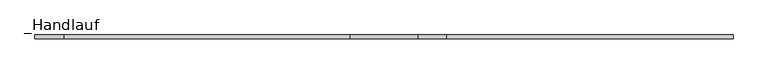
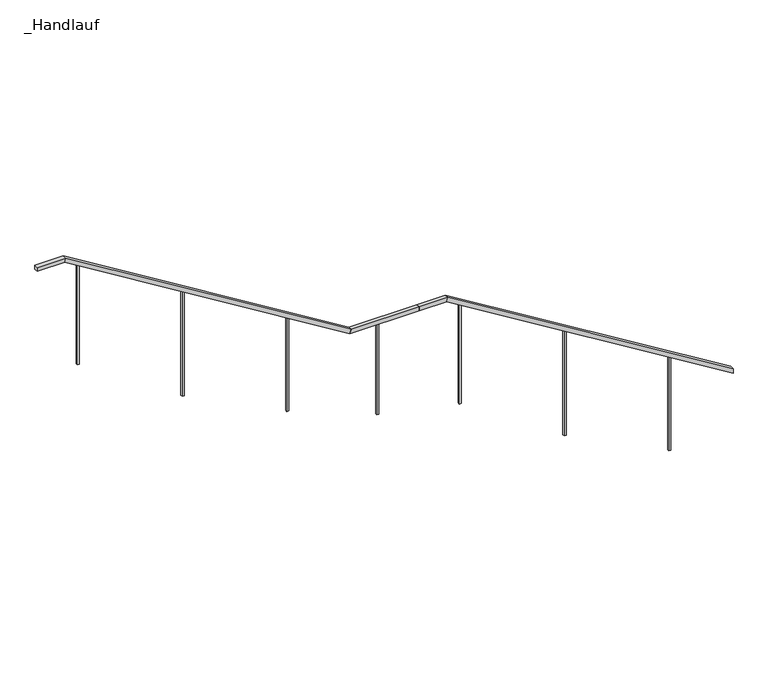
"""IFC4 building model written with IfcOpenShell, lengths in millimetres: railing geometry, _Handlauf."""

import ifcopenshell
import ifcopenshell.guid

model = None  # the IFC model being written
_history = None  # IfcOwnerHistory: only IFC2X3 demands one
_inside = {}  # id of a spatial element -> (the spatial element, [elements in it])
_under = {}  # id of a project, library or spatial element -> (it, [spatial elements below it])
_declared = {}  # id of a project -> (the project, [libraries it declares])
_typed = {}  # id of a type object -> (the type object, [elements of that type])
_made_of = {}  # id of a material, layer set ... -> (it, [elements and type objects made of it])


def new_model(schema):
    """Start an empty IFC model of exactly this schema.

    Asked for "IFC4X3", IfcOpenShell would pick the latest addendum, in which some entities
    have other attributes; the version numbers below select the first issue.
    IFC2X3 requires an IfcOwnerHistory on every rooted entity: one is made here for all.
    """
    global model, _history
    if schema == "IFC4X3":
        model = ifcopenshell.file(schema_version=(4, 3, 0, 0))
    else:
        model = ifcopenshell.file(schema=schema)
    _inside.clear()
    _under.clear()
    _declared.clear()
    _typed.clear()
    _made_of.clear()
    _history = None
    if model.schema == "IFC2X3":
        org = make("IfcOrganization", Name="unknown")
        user = make(
            "IfcPersonAndOrganization",
            ThePerson=make("IfcPerson", FamilyName="unknown"),
            TheOrganization=org,
        )
        app = make(
            "IfcApplication",
            ApplicationDeveloper=org,
            Version="unknown",
            ApplicationFullName="unknown",
            ApplicationIdentifier="unknown",
        )
        _history = make(
            "IfcOwnerHistory",
            OwningUser=user,
            OwningApplication=app,
            ChangeAction="ADDED",
            CreationDate=0,
        )
    return model


def make(cls, **values):
    """One entity of the class cls with the attributes given. An attribute that is None is left unset."""
    return model.create_entity(
        cls, **{name: value for name, value in values.items() if value is not None}
    )


def rooted(cls, **values):
    """An entity with a GlobalId (a new one), such as an element, a storey or a relation."""
    return make(cls, GlobalId=ifcopenshell.guid.new(), OwnerHistory=_history, **values)


def si_unit(unit_type, name, prefix=None):
    """IfcSIUnit, for example si_unit("LENGTHUNIT", "METRE", prefix="MILLI")."""
    return make("IfcSIUnit", UnitType=unit_type, Prefix=prefix, Name=name)


def assignment(units):
    """IfcUnitAssignment: the units of a project."""
    return None if units is None else make("IfcUnitAssignment", Units=units)


def point(xyz):
    """IfcCartesianPoint."""
    return None if xyz is None else make("IfcCartesianPoint", Coordinates=xyz)


def direction(xyz):
    """IfcDirection."""
    return None if xyz is None else make("IfcDirection", DirectionRatios=xyz)


def frame(location, z_axis=None, x_axis=None):
    """IfcAxis2Placement3D, a coordinate frame: its origin and axes. An axis left out is left unset."""
    return make(
        "IfcAxis2Placement3D",
        Location=point(location),
        Axis=direction(z_axis),
        RefDirection=direction(x_axis),
    )


def origin():
    """The frame at (0, 0, 0) with its axes left unset."""
    return frame((0.0, 0.0, 0.0))


def place(relative_to, where):
    """IfcLocalPlacement: puts the frame where relative to a parent placement (None: the world)."""
    return make(
        "IfcLocalPlacement", PlacementRelTo=relative_to, RelativePlacement=where
    )


def context(
    kind, dimensions, precision=None, world=None, true_north=None, identifier=None
):
    """IfcGeometricRepresentationContext, for example the 3D "Model" context."""
    return make(
        "IfcGeometricRepresentationContext",
        ContextIdentifier=identifier,
        ContextType=kind,
        CoordinateSpaceDimension=dimensions,
        Precision=precision,
        WorldCoordinateSystem=world,
        TrueNorth=true_north,
    )


def project(units=None, contexts=None):
    """IfcProject with its units and contexts."""
    return rooted(
        "IfcProject",
        Name="project",
        RepresentationContexts=contexts,
        UnitsInContext=assignment(units),
    )


def spatial(cls, under=None, at=None, **own):
    """A site, building, storey or space (cls), placed at a placement, below another one or the project."""
    s = rooted(cls, ObjectPlacement=at, **own)
    if under is not None:
        _under.setdefault(under.id(), (under, []))[1].append(s)
    return s


def polyline(points):
    """IfcPolyline through the points."""
    return make("IfcPolyline", Points=[point(p) for p in points])


def outline(outer, holes=None, kind="AREA"):
    """IfcArbitraryClosedProfileDef: a profile drawn as a closed curve; with holes, ...WithVoids."""
    if holes is None:
        return make("IfcArbitraryClosedProfileDef", ProfileType=kind, OuterCurve=outer)
    return make(
        "IfcArbitraryProfileDefWithVoids",
        ProfileType=kind,
        OuterCurve=outer,
        InnerCurves=holes,
    )


def extrude(swept, where, along, depth):
    """IfcExtrudedAreaSolid: the profile swept, set in the frame where, extruded along a direction by depth."""
    return make(
        "IfcExtrudedAreaSolid",
        SweptArea=swept,
        Position=where,
        ExtrudedDirection=direction(along),
        Depth=depth,
    )


def faces_of(points, faces, orient=None, outer=None):
    """IfcFace entities. A face is a list of loops; a loop is a list of indices into points, from 0.

    orient and outer hold one flag for each loop. By default every Orientation is true, the
    first loop of a face is its IfcFaceOuterBound and the others are IfcFaceBound.
    """
    made = []
    for i, loops in enumerate(faces):
        bounds = []
        for j, loop in enumerate(loops):
            is_outer = j == 0 if outer is None else outer[i][j]
            bounds.append(
                make(
                    "IfcFaceOuterBound" if is_outer else "IfcFaceBound",
                    Bound=make("IfcPolyLoop", Polygon=[points[k] for k in loop]),
                    Orientation=True if orient is None else orient[i][j],
                )
            )
        made.append(make("IfcFace", Bounds=bounds))
    return made


def faceted_brep(points, faces, orient=None, outer=None, voids=None):
    """IfcFacetedBrep: a solid bounded by flat faces; with voids (closed shells), ...WithVoids."""
    shared = [point(p) for p in points]
    hull = make("IfcClosedShell", CfsFaces=faces_of(shared, faces, orient, outer))
    if voids is None:
        return make("IfcFacetedBrep", Outer=hull)
    return make(
        "IfcFacetedBrepWithVoids",
        Outer=hull,
        Voids=[
            make(cls, CfsFaces=faces_of(shared, fs, o, b)) for cls, fs, o, b in voids
        ],
    )


def shape(context_of_items, identifier, shape_type, items):
    """IfcShapeRepresentation: the items that make up one representation, for example the "Body"."""
    return make(
        "IfcShapeRepresentation",
        ContextOfItems=context_of_items,
        RepresentationIdentifier=identifier,
        RepresentationType=shape_type,
        Items=items,
    )


def source(mapping_origin, context_of_items, identifier, shape_type, items):
    """IfcRepresentationMap: a shape defined once, which mapped items show again and again."""
    return make(
        "IfcRepresentationMap",
        MappingOrigin=mapping_origin,
        MappedRepresentation=shape(context_of_items, identifier, shape_type, items),
    )


def transform(
    local_origin,
    x_axis=None,
    y_axis=None,
    z_axis=None,
    scale=None,
    scale2=None,
    scale3=None,
    uniform=True,
):
    """IfcCartesianTransformationOperator3D, or its non-uniform kind. x_axis, y_axis, z_axis: its Axis1, 2, 3."""
    if uniform:
        return make(
            "IfcCartesianTransformationOperator3D",
            Axis1=direction(x_axis),
            Axis2=direction(y_axis),
            LocalOrigin=point(local_origin),
            Scale=scale,
            Axis3=direction(z_axis),
        )
    return make(
        "IfcCartesianTransformationOperator3DnonUniform",
        Axis1=direction(x_axis),
        Axis2=direction(y_axis),
        LocalOrigin=point(local_origin),
        Scale=scale,
        Axis3=direction(z_axis),
        Scale2=scale2,
        Scale3=scale3,
    )


def mapped(mapping_source, mapping_target):
    """IfcMappedItem: shows the shape of a source again, moved by a transform."""
    return make(
        "IfcMappedItem", MappingSource=mapping_source, MappingTarget=mapping_target
    )


def made_of(thing, what):
    """Note that an element or type object is made of a material, layer set ...; save() writes the relation."""
    if what is not None:
        _made_of.setdefault(what.id(), (what, []))[1].append(thing)
    return thing


def element(
    cls,
    number,
    at=None,
    inside=None,
    cuts=None,
    type_object=None,
    material=None,
    context=None,
    identifier="Body",
    shape_type=None,
    held_by="IfcProductDefinitionShape",
    body=None,
    shapes=None,
    **own,
):
    """One element of the class cls, such as IfcWall. Its Tag is "e" and its number.

    at: its placement. inside: the storey or other place that contains it. cuts: it is an
    opening in that element (IfcRelVoidsElement). A single representation is given by context,
    identifier, shape_type and body (its items); several are given by shapes. held_by: the class
    of the entity that holds the representations. save() writes the other relations.
    """
    e = rooted(cls, Tag="e%d" % number, ObjectPlacement=at, **own)
    if body is not None:
        shapes = [shape(context, identifier, shape_type, body)]
    if shapes is not None:
        e.Representation = make(held_by, Representations=shapes)
    if inside is not None:
        _inside.setdefault(inside.id(), (inside, []))[1].append(e)
    if cuts is not None:
        rooted(
            "IfcRelVoidsElement", RelatingBuildingElement=cuts, RelatedOpeningElement=e
        )
    if type_object is not None:
        _typed.setdefault(type_object.id(), (type_object, []))[1].append(e)
    return made_of(e, material)


def aggregate(whole, parts):
    """IfcRelAggregates: a whole, such as a stair, and the parts it consists of."""
    return rooted("IfcRelAggregates", RelatingObject=whole, RelatedObjects=parts)


def save(model, path):
    """Write the relations noted so far, then the file.

    IfcRelAggregates (storeys below a building ...), IfcRelContainedInSpatialStructure (elements
    in a storey), IfcRelDefinesByType, IfcRelAssociatesMaterial and IfcRelDeclares: one each for
    every whole, place, type object, material and project.
    """
    for whole, parts in _under.values():
        aggregate(whole, parts)
    for where, things in _inside.values():
        rooted(
            "IfcRelContainedInSpatialStructure",
            RelatedElements=things,
            RelatingStructure=where,
        )
    for kind, things in _typed.values():
        rooted("IfcRelDefinesByType", RelatedObjects=things, RelatingType=kind)
    for what, things in _made_of.values():
        rooted("IfcRelAssociatesMaterial", RelatedObjects=things, RelatingMaterial=what)
    for by, libraries in _declared.values():
        rooted("IfcRelDeclares", RelatingContext=by, RelatedDefinitions=libraries)
    model.write(path)


def handlauf_f416d32c(model_context):
    return source(origin(), model_context, "Body", "SolidModel", [
        faceted_brep([(8940.0, 4237.6, 4500.0), (8940.0, 4197.6, 4500.0), (8940.0, 4197.6, 4453.0610765), (8940.0, 4237.6, 4453.0610765), (6090.0, 4237.6, 6250.0), (6090.0, 4197.6, 6250.0), (6078.6994674, 4197.6, 6210.0), (6078.6994674, 4237.6, 6210.0), (5805.0, 4237.6, 6250.0), (5805.0, 4237.6, 6210.0), (5805.0, 4197.6, 6210.0), (5805.0, 4197.6, 6250.0)], [[[0, 1, 2, 3]], [[1, 0, 4, 5]], [[2, 1, 5, 6]], [[3, 2, 6, 7]], [[0, 3, 7, 4]], [[8, 9, 10, 11]], [[5, 4, 8, 11]], [[6, 5, 11, 10]], [[7, 6, 10, 9]], [[4, 7, 9, 8]]]),
        faceted_brep([(5805.0, 4237.6, 6250.0), (5805.0, 4197.6, 6250.0), (5805.0, 4197.6, 6210.0), (5805.0, 4237.6, 6210.0), (5124.7699955, 4237.6, 6250.0), (5113.4694629, 4237.6, 6210.0), (5113.4694629, 4197.6, 6210.0), (5124.7699955, 4197.6, 6250.0)], [[[0, 1, 2, 3]], [[4, 5, 6, 7]], [[1, 0, 4, 7]], [[2, 1, 7, 6]], [[3, 2, 6, 5]], [[0, 3, 5, 4]]]),
        faceted_brep([(5124.7699955, 4237.6, 6250.0), (5124.7699955, 4197.6, 6250.0), (5113.4694629, 4197.6, 6210.0), (5113.4694629, 4237.6, 6210.0), (2274.7699955, 4237.6, 8000.0), (2274.7699955, 4197.6, 8000.0), (2263.4694629, 4197.6, 7960.0), (2263.4694629, 4237.6, 7960.0), (1989.7699955, 4237.6, 8000.0), (1989.7699955, 4237.6, 7960.0), (1989.7699955, 4197.6, 7960.0), (1989.7699955, 4197.6, 8000.0)], [[[0, 1, 2, 3]], [[1, 0, 4, 5]], [[2, 1, 5, 6]], [[3, 2, 6, 7]], [[0, 3, 7, 4]], [[8, 9, 10, 11]], [[5, 4, 8, 11]], [[6, 5, 11, 10]], [[7, 6, 10, 9]], [[4, 7, 9, 8]]]),
        extrude(outline(polyline([(6825.0, 2417.7699955), (7872.1929825, 2417.7699955), (7884.4736842, 2397.7699955), (6825.0, 2397.7699955), (6825.0, 2417.7699955)])), frame((0.0, 4207.6, 0.0), z_axis=(0.0, 1.0, 0.0), x_axis=(0.0, 0.0, 1.0)), (0.0, 0.0, 1.0), 20.0),
        extrude(outline(polyline([(6125.0, 3462.7699955), (7230.5263158, 3462.7699955), (7242.8070175, 3442.7699955), (6125.0, 3442.7699955), (6125.0, 3462.7699955)])), frame((0.0, 4207.6, 0.0), z_axis=(0.0, 1.0, 0.0), x_axis=(0.0, 0.0, 1.0)), (0.0, 0.0, 1.0), 20.0),
        extrude(outline(polyline([(5600.0, 4507.7699955), (6588.8596491, 4507.7699955), (6601.1403509, 4487.7699955), (5600.0, 4487.7699955), (5600.0, 4507.7699955)])), frame((0.0, 4207.6, 0.0), z_axis=(0.0, 1.0, 0.0), x_axis=(0.0, 0.0, 1.0)), (0.0, 0.0, 1.0), 20.0),
        extrude(outline(polyline([(5406.8619973, 4227.6), (5406.8619973, 4207.6), (5386.8619973, 4207.6), (5386.8619973, 4227.6), (5406.8619973, 4227.6)])), frame((0.0, 0.0, 5250.0), z_axis=(0.0, 0.0, 1.0), x_axis=(1.0, 0.0, 0.0)), (0.0, 0.0, 1.0), 960.0),
        extrude(outline(polyline([(5075.0, 6233.0), (6122.1929825, 6233.0), (6134.4736842, 6213.0), (5075.0, 6213.0), (5075.0, 6233.0)])), frame((0.0, 4207.6, 0.0), z_axis=(0.0, 1.0, 0.0), x_axis=(0.0, 0.0, 1.0)), (0.0, 0.0, 1.0), 20.0),
        extrude(outline(polyline([(4375.0, 7278.0), (5480.5263158, 7278.0), (5492.8070175, 7258.0), (4375.0, 7258.0), (4375.0, 7278.0)])), frame((0.0, 4207.6, 0.0), z_axis=(0.0, 1.0, 0.0), x_axis=(0.0, 0.0, 1.0)), (0.0, 0.0, 1.0), 20.0),
        extrude(outline(polyline([(3850.0, 8323.0), (4838.8596491, 8323.0), (4851.1403509, 8303.0), (3850.0, 8303.0), (3850.0, 8323.0)])), frame((0.0, 4207.6, 0.0), z_axis=(0.0, 1.0, 0.0), x_axis=(0.0, 0.0, 1.0)), (0.0, 0.0, 1.0), 20.0),
    ])


if __name__ == "__main__":
    model = new_model("IFC4")
    model_context = context("Model", 3, world=origin())
    ifc_project = project(units=[si_unit("LENGTHUNIT", "METRE", prefix="MILLI")], contexts=[model_context])
    site = spatial("IfcSite", under=ifc_project)
    building = spatial("IfcBuilding", under=site)
    placement = place(None, origin())
    handlauf_shape = handlauf_f416d32c(model_context)
    element("IfcRailing", 1, ObjectType="_Handlauf", at=placement, inside=building, context=model_context, shape_type="MappedRepresentation", body=[
        mapped(handlauf_shape, transform((0.0, 0.0, 0.0), x_axis=(1.0, 0.0, 0.0), y_axis=(0.0, 1.0, 0.0), z_axis=(0.0, 0.0, 1.0))),
    ])
    save(model, "model.ifc")
